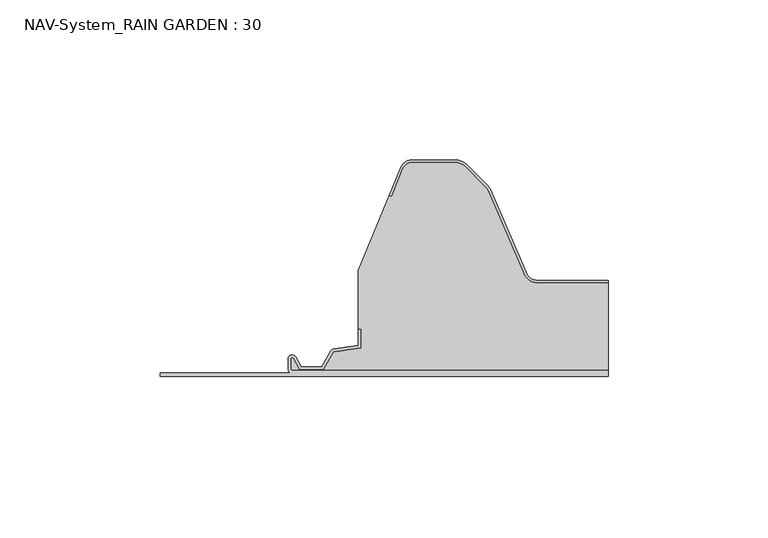
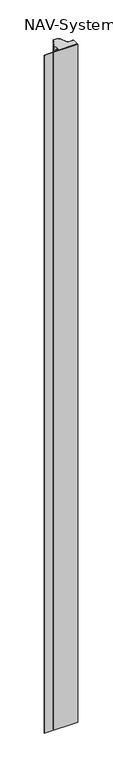
"""IFC4 building model written with IfcOpenShell, lengths in millimetres: plate geometry, NAV-System_RAIN GARDEN : 30."""

from ifc_helpers import new_model, si_unit, point, frame, frame_2d, origin, origin_with_axes, place, context, project, spatial, polyline, circle_curve, trimmed, segment, composite_curve, outline, extrude, source, transform, mapped, element, save


def nav_system_rain_garden_30_dbf8ea4e(model_context):
    return source(origin(), model_context, "Body", "SweptSolid", [
        extrude(outline(composite_curve([segment(polyline([(0.0, -90.0), (0.0, 50.0), (1.8, 50.0), (1.8, -48.7)]), True, "CONTINUOUS"), segment(trimmed(circle_curve(frame_2d((2.3, -48.7)), 0.5), [point((1.8, -48.7))], [point((2.3, -49.2))], True, "CARTESIAN"), True, "CONTINUOUS"), segment(polyline([(2.3, -49.2), (5.3700191, -49.2)]), True, "CONTINUOUS"), segment(trimmed(circle_curve(frame_2d((5.3700191, -48.7)), 0.5), [point((5.3700191, -49.2))], [point((5.6200191, -48.2669873))], True, "CARTESIAN"), True, "CONTINUOUS"), segment(polyline([(5.6200191, -48.2669873), (2.2, -46.2924383), (2.2, -38.9841833), (7.6866602, -35.8164586), (8.898332, -27.2), (14.6767555, -27.2), (14.6767555, -28.0), (9.5937048, -28.0), (8.5128213, -35.6863953)]), True, "CONTINUOUS"), segment(trimmed(circle_curve(frame_2d((7.2254873, -35.5053666)), 1.3), [point((8.5128213, -35.6863953))], [point((7.8754873, -36.6311996))], False, "CARTESIAN"), True, "CONTINUOUS"), segment(polyline([(7.8754873, -36.6311996), (3.0, -39.4460636), (3.0, -45.8305581), (6.0200191, -47.574167)]), True, "CONTINUOUS"), segment(trimmed(circle_curve(frame_2d((5.3700191, -48.7)), 1.3), [point((6.0200191, -47.574167))], [point((5.3700191, -50.0))], False, "CARTESIAN"), True, "CONTINUOUS"), segment(polyline([(5.3700191, -50.0), (2.3, -50.0)]), True, "CONTINUOUS"), segment(trimmed(circle_curve(frame_2d((2.3, -48.7)), 1.3), [point((2.3, -50.0))], [point((1.0, -48.7))], False, "CARTESIAN"), True, "CONTINUOUS"), segment(polyline([(1.0, -48.7), (1.0, -90.0), (0.0, -90.0)]), True, "CONTINUOUS")], self_intersect=False)), frame((0.0, 0.0, 3000.0), z_axis=(0.0, 0.0, -1.0), x_axis=(0.0, 1.0, 0.0)), (0.0, 0.0, 1.0), 3000.0),
        extrude(outline(composite_curve([segment(polyline([(28.0709249, 29.2), (50.0, 29.2), (50.0, 1.8), (-48.7, 1.8)]), True, "CONTINUOUS"), segment(trimmed(circle_curve(frame_2d((-48.7, 2.3)), 0.5), [point((-48.7, 1.8))], [point((-49.2, 2.3))], False, "CARTESIAN"), True, "CONTINUOUS"), segment(polyline([(-49.2, 2.3), (-49.2, 5.3700191)]), True, "CONTINUOUS"), segment(trimmed(circle_curve(frame_2d((-48.7, 5.3700191)), 0.5), [point((-49.2, 5.3700191))], [point((-48.2669873, 5.6200191))], False, "CARTESIAN"), True, "CONTINUOUS"), segment(polyline([(-48.2669873, 5.6200191), (-46.2924383, 2.2), (-38.9841833, 2.2), (-35.8164586, 7.6866602), (-27.2, 8.898332), (-27.2, 14.6767555), (-28.0, 14.6767555), (-28.0, 33.053822), (-18.3696578, 56.593514), (-17.6292254, 56.2905951), (-14.1022482, 64.9116756)]), True, "CONTINUOUS"), segment(trimmed(circle_curve(frame_2d((-11.1405186, 63.7)), 3.2), [point((-14.1022482, 64.9116756))], [point((-11.1405186, 66.9))], False, "CARTESIAN"), True, "CONTINUOUS"), segment(polyline([(-11.1405186, 66.9), (2.2655335, 66.9)]), True, "CONTINUOUS"), segment(trimmed(circle_curve(frame_2d((2.2655335, 62.7)), 4.2), [point((2.2655335, 66.9))], [point((5.235382, 65.6698485))], False, "CARTESIAN"), True, "CONTINUOUS"), segment(polyline([(5.235382, 65.6698485), (11.6863603, 59.2188701)]), True, "CONTINUOUS"), segment(trimmed(circle_curve(frame_2d((8.7165118, 56.2490217)), 4.2), [point((11.6863603, 59.2188701))], [point((12.5754349, 57.9069459))], False, "CARTESIAN"), True, "CONTINUOUS"), segment(polyline([(12.5754349, 57.9069459), (23.6607271, 32.1052295)]), True, "CONTINUOUS"), segment(trimmed(circle_curve(frame_2d((28.0709249, 34.0)), 4.8), [point((23.6607271, 32.1052295))], [point((28.0709249, 29.2))], True, "CARTESIAN"), True, "CONTINUOUS")], self_intersect=False)), origin_with_axes(), (0.0, 0.0, 1.0), 3000.0),
        extrude(outline(composite_curve([segment(trimmed(circle_curve(frame_2d((-11.1408608, 63.7)), 4.0), [point((-14.8430228, 65.2145945))], [point((-11.1408608, 67.7))], False, "CARTESIAN"), True, "CONTINUOUS"), segment(polyline([(-11.1408608, 67.7), (2.2651913, 67.7)]), True, "CONTINUOUS"), segment(trimmed(circle_curve(frame_2d((2.2651913, 62.7)), 5.0), [point((2.2651913, 67.7))], [point((5.8007252, 66.2355339))], False, "CARTESIAN"), True, "CONTINUOUS"), segment(polyline([(5.8007252, 66.2355339), (12.2517035, 59.7845556)]), True, "CONTINUOUS"), segment(trimmed(circle_curve(frame_2d((8.7161696, 56.2490217)), 5.0), [point((12.2517035, 59.7845556))], [point((13.3101256, 58.2227409))], False, "CARTESIAN"), True, "CONTINUOUS"), segment(polyline([(13.3101256, 58.2227409), (24.3954178, 32.4210246)]), True, "CONTINUOUS"), segment(trimmed(circle_curve(frame_2d((28.0705827, 34.0)), 4.0), [point((24.3954178, 32.4210246))], [point((28.0705827, 30.0))], True, "CARTESIAN"), True, "CONTINUOUS"), segment(polyline([(28.0705827, 30.0), (50.0, 30.0), (50.0, 29.2), (28.0705827, 29.2)]), True, "CONTINUOUS"), segment(trimmed(circle_curve(frame_2d((28.0705827, 34.0)), 4.8), [point((28.0705827, 29.2))], [point((23.6603849, 32.1052295))], False, "CARTESIAN"), True, "CONTINUOUS"), segment(polyline([(23.6603849, 32.1052295), (12.5750927, 57.9069459)]), True, "CONTINUOUS"), segment(trimmed(circle_curve(frame_2d((8.7161696, 56.2490217)), 4.2), [point((12.5750927, 57.9069459))], [point((11.6860181, 59.2188701))], True, "CARTESIAN"), True, "CONTINUOUS"), segment(polyline([(11.6860181, 59.2188701), (5.2350397, 65.6698485)]), True, "CONTINUOUS"), segment(trimmed(circle_curve(frame_2d((2.2651913, 62.7)), 4.2), [point((5.2350397, 65.6698485))], [point((2.2651913, 66.9))], True, "CARTESIAN"), True, "CONTINUOUS"), segment(polyline([(2.2651913, 66.9), (-11.1408608, 66.9)]), True, "CONTINUOUS"), segment(trimmed(circle_curve(frame_2d((-11.1408608, 63.7)), 3.2), [point((-11.1408608, 66.9))], [point((-14.1025904, 64.9116756))], True, "CARTESIAN"), True, "CONTINUOUS"), segment(polyline([(-14.1025904, 64.9116756), (-17.6295676, 56.2905951), (-18.37, 56.593514), (-14.8430228, 65.2145945)]), True, "CONTINUOUS")], self_intersect=False)), origin_with_axes(), (0.0, 0.0, 1.0), 3000.0),
    ])


if __name__ == "__main__":
    model = new_model("IFC4")
    model_context = context("Model", 3, world=origin())
    ifc_project = project(units=[si_unit("LENGTHUNIT", "METRE", prefix="MILLI")], contexts=[model_context])
    site = spatial("IfcSite", under=ifc_project)
    building = spatial("IfcBuilding", under=site)
    placement = place(None, origin())
    nav_system_rain_garden_30_shape = nav_system_rain_garden_30_dbf8ea4e(model_context)
    element("IfcPlate", 1, ObjectType="NAV-System_RAIN GARDEN : 30", at=placement, inside=building, context=model_context, shape_type="MappedRepresentation", body=[
        mapped(nav_system_rain_garden_30_shape, transform((0.0, 0.0, 0.0), x_axis=(1.0, 0.0, 0.0), y_axis=(0.0, 1.0, 0.0), z_axis=(0.0, 0.0, 1.0))),
    ])
    save(model, "model.ifc")
